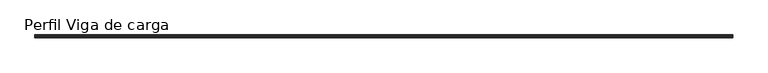
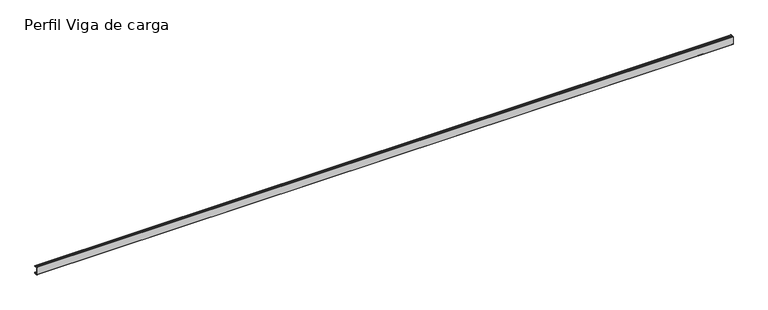
"""IFC4 building model written with IfcOpenShell, lengths in millimetres: proxy geometry, Perfil Viga de carga."""

from ifc_helpers import new_model, si_unit, point, frame, frame_2d, origin, place, context, project, spatial, polyline, circle_curve, trimmed, segment, composite_curve, outline, extrude, source, transform, mapped, element, save


def perfil_viga_de_carga_7b43a34e(model_context):
    return source(origin(), model_context, "Body", "SweptSolid", [
        extrude(outline(composite_curve([segment(polyline([(8.5, -11.7), (8.5, -15.8)]), True, "CONTINUOUS"), segment(trimmed(circle_curve(frame_2d((7.3, -15.8)), 1.2), [point((8.5, -15.8))], [point((7.3, -17.0))], False, "CARTESIAN"), True, "CONTINUOUS"), segment(polyline([(7.3, -17.0), (3.8807738, -17.0), (2.8333333, -16.5661359), (1.7858928, -17.0), (-1.7858928, -17.0), (-2.8333333, -16.5661359), (-3.8807738, -17.0), (-7.3, -17.0)]), True, "CONTINUOUS"), segment(trimmed(circle_curve(frame_2d((-7.3, -15.8)), 1.2), [point((-7.3, -17.0))], [point((-8.5, -15.8))], False, "CARTESIAN"), True, "CONTINUOUS"), segment(polyline([(-8.5, -15.8), (-8.5, 28.8)]), True, "CONTINUOUS"), segment(trimmed(circle_curve(frame_2d((-7.3, 28.8)), 1.2), [point((-8.5, 28.8))], [point((-7.3, 30.0))], False, "CARTESIAN"), True, "CONTINUOUS"), segment(polyline([(-7.3, 30.0), (-3.8807738, 30.0), (-2.8333333, 29.5661359), (-1.7858928, 30.0), (1.7858928, 30.0), (2.8333333, 29.5661359), (3.8807738, 30.0), (7.3, 30.0)]), True, "CONTINUOUS"), segment(trimmed(circle_curve(frame_2d((7.3, 28.8)), 1.2), [point((7.3, 30.0))], [point((8.5, 28.8))], False, "CARTESIAN"), True, "CONTINUOUS"), segment(polyline([(8.5, 28.8), (8.5, 24.7), (7.5, 24.7), (7.5, 29.0), (3.8807738, 29.0), (2.8333333, 28.5661359), (1.7858928, 29.0), (-1.7858928, 29.0), (-2.8333333, 28.5661359), (-3.8807738, 29.0), (-7.5, 29.0), (-7.5, -16.0), (-3.8807738, -16.0), (-2.8333333, -15.5661359), (-1.7858928, -16.0), (1.7858928, -16.0), (2.8333333, -15.5661359), (3.8807738, -16.0), (7.5, -16.0), (7.5, -11.7), (8.5, -11.7)]), True, "CONTINUOUS")], self_intersect=False)), frame((0.0, 0.0, 0.0), z_axis=(1.0, 0.0, 0.0), x_axis=(0.0, 1.0, 0.0)), (0.0, 0.0, 1.0), 4000.0),
    ])


if __name__ == "__main__":
    model = new_model("IFC4")
    model_context = context("Model", 3, world=origin())
    ifc_project = project(units=[si_unit("LENGTHUNIT", "METRE", prefix="MILLI")], contexts=[model_context])
    site = spatial("IfcSite", under=ifc_project)
    building = spatial("IfcBuilding", under=site)
    placement = place(None, origin())
    perfil_viga_de_carga_shape = perfil_viga_de_carga_7b43a34e(model_context)
    element("IfcBuildingElementProxy", 1, Name="Perfil Viga de carga", ObjectType="Perfil Viga de carga", at=placement, inside=building, context=model_context, shape_type="MappedRepresentation", body=[
        mapped(perfil_viga_de_carga_shape, transform((0.0, 0.0, 0.0), x_axis=(1.0, 0.0, 0.0), y_axis=(0.0, 1.0, 0.0), z_axis=(0.0, 0.0, 1.0))),
    ])
    save(model, "model.ifc")
